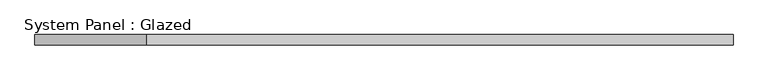
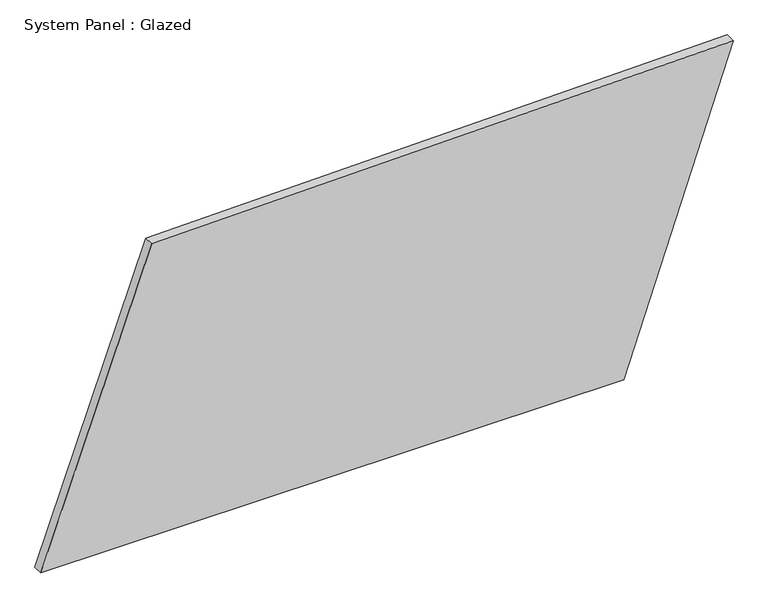
"""IFC4 building model written with IfcOpenShell, lengths in millimetres: plate geometry, System Panel : Glazed."""

from ifc_helpers import new_model, si_unit, frame, origin, place, context, project, spatial, polyline, outline, extrude, source, transform, mapped, element, save


def system_panel_glazed_653beade(model_context):
    return source(origin(), model_context, "Body", "SweptSolid", [
        extrude(outline(polyline([(0.0, -856.3271007), (0.0, 585.4782018), (792.1323442, 856.3271007), (764.4840885, -582.0689884), (0.0, -856.3271007)])), frame((0.0, -49.5, 0.0), z_axis=(0.0, 1.0, 0.0), x_axis=(0.0, 0.0, 1.0)), (0.0, 0.0, 1.0), 25.0),
    ])


if __name__ == "__main__":
    model = new_model("IFC4")
    model_context = context("Model", 3, world=origin())
    ifc_project = project(units=[si_unit("LENGTHUNIT", "METRE", prefix="MILLI")], contexts=[model_context])
    site = spatial("IfcSite", under=ifc_project)
    building = spatial("IfcBuilding", under=site)
    placement = place(None, origin())
    system_panel_glazed_shape = system_panel_glazed_653beade(model_context)
    element("IfcPlate", 1, ObjectType="System Panel : Glazed", at=placement, inside=building, context=model_context, shape_type="MappedRepresentation", body=[
        mapped(system_panel_glazed_shape, transform((0.0, 0.0, 0.0), x_axis=(1.0, 0.0, 0.0), y_axis=(0.0, 1.0, 0.0), z_axis=(0.0, 0.0, 1.0))),
    ])
    save(model, "model.ifc")
